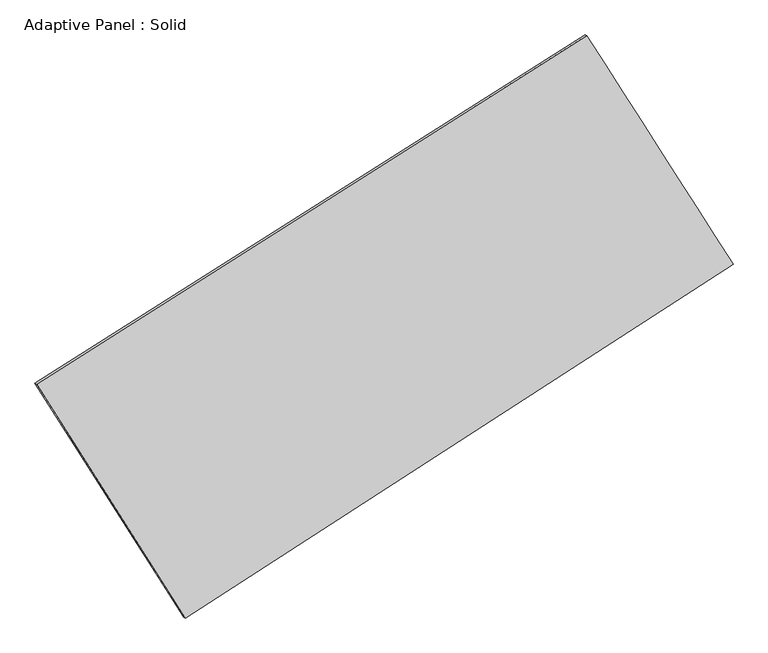
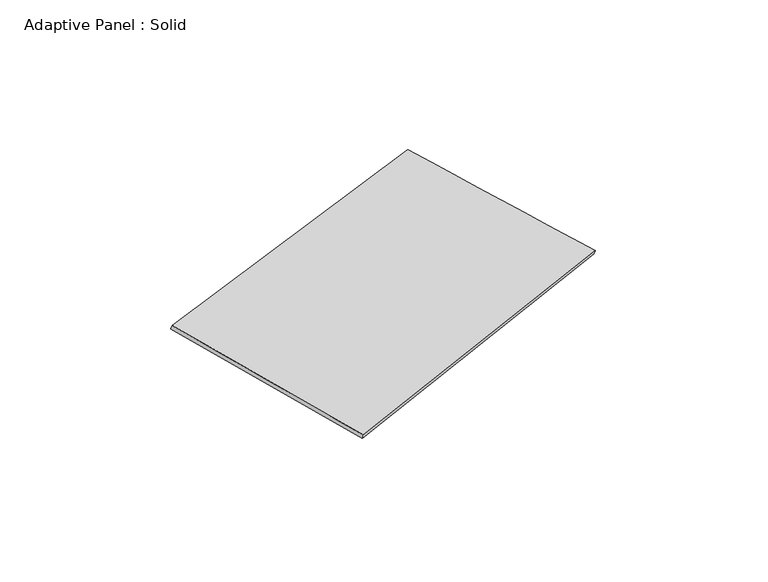
"""IFC4 building model written with IfcOpenShell, lengths in millimetres: plate geometry, Adaptive Panel : Solid."""

from ifc_helpers import new_model, si_unit, frame, origin, place, context, project, spatial, source, transform, mapped, element, save
from ifc_brep_helpers import plane_surface, spline_surface, advanced_brep


def adaptive_panel_solid_923e7f37(model_context):
    return source(origin(), model_context, "Body", "AdvancedBrep", [
        advanced_brep(
        [(1142.6289923, 2481.3706608, 642.4026207), (-3757.6017409, -621.6632091, 1783.5521167), (-3742.9353851, -628.0433025, 1830.9250248), (1157.2953481, 2474.9905673, 689.7755287), (-2433.9802655, -2705.0813553, 1051.7931207), (-2419.3139097, -2711.4614488, 1099.1660288), (2445.662436, 445.1253307, 7.3746621), (2460.3287918, 438.7452373, 54.7475701)],
        [
            (0, 1),
            (1, 2),
            (2, 3),
            (3, 0),
            (1, 4),
            (4, 5),
            (5, 2),
            (4, 6),
            (6, 7),
            (7, 5),
            (6, 0),
            (3, 7),
        ],
        [
            plane_surface(frame((-1307.4863743, 929.8537259, 1212.9773687), z_axis=(-0.47273050083949253, 0.8420513455926932, 0.25976028364932435), x_axis=(-0.8289618710267553, -0.5249338046822044, 0.1930458937291501))),
            plane_surface(frame((-3095.7910032, -1663.3722822, 1417.6726187), z_axis=(-0.8030922834466764, -0.5705528092938106, 0.1717913736930471), x_axis=(0.5141265811956158, -0.8092499771262306, -0.2842328852003287))),
            plane_surface(frame((5.8410853, -1129.9780123, 529.5838914), z_axis=(0.4831946663453027, -0.8353604778743015, -0.2620988104152145), x_axis=(0.8268737160919936, 0.5338143114701767, -0.17698061618674127))),
            plane_surface(frame((1794.1457142, 1463.2479958, 324.8886414), z_axis=(0.804384166691206, 0.5685263347708625, -0.17246425440798963), x_axis=(-0.5213196663014605, 0.8146642291548403, 0.2540629828662254))),
            spline_surface(1, 1, [[(-3742.9353851, -628.0433025, 1830.9250248), (1157.2953481, 2474.9905673, 689.7755287)], [(-2419.3139097, -2711.4614488, 1099.1660288), (2460.3287918, 438.7452373, 54.7475701)]], [2, 2], [2, 2], [0.0, 1.0], [0.0, 1.0]),
            spline_surface(1, 1, [[(2445.662436, 445.1253307, 7.3746621), (1142.6289923, 2481.3706608, 642.4026207)], [(-2433.9802655, -2705.0813553, 1051.7931207), (-3757.6017409, -621.6632091, 1783.5521167)]], [2, 2], [2, 2], [0.0, 1.0], [0.0, 1.0]),
        ],
        [
            (0, [[1, 2, 3, 4]]),
            (1, [[5, 6, 7, -2]]),
            (2, [[8, 9, 10, -6]]),
            (3, [[11, -4, 12, -9]]),
            (4, [[-3, -7, -10, -12]]),
            (5, [[-11, -8, -5, -1]]),
        ],
    ),
    ])


if __name__ == "__main__":
    model = new_model("IFC4")
    model_context = context("Model", 3, world=origin())
    ifc_project = project(units=[si_unit("LENGTHUNIT", "METRE", prefix="MILLI")], contexts=[model_context])
    site = spatial("IfcSite", under=ifc_project)
    building = spatial("IfcBuilding", under=site)
    placement = place(None, origin())
    adaptive_panel_solid_shape = adaptive_panel_solid_923e7f37(model_context)
    element("IfcPlate", 1, ObjectType="Adaptive Panel : Solid", at=placement, inside=building, context=model_context, shape_type="MappedRepresentation", body=[
        mapped(adaptive_panel_solid_shape, transform((0.0, 0.0, 0.0), x_axis=(1.0, 0.0, 0.0), y_axis=(0.0, 1.0, 0.0), z_axis=(0.0, 0.0, 1.0))),
    ])
    save(model, "model.ifc")
